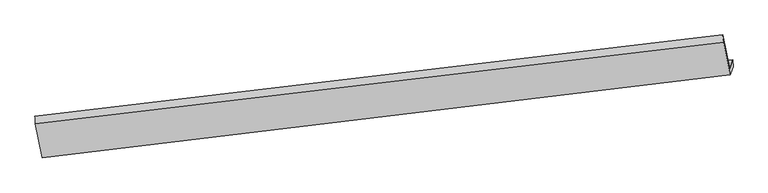
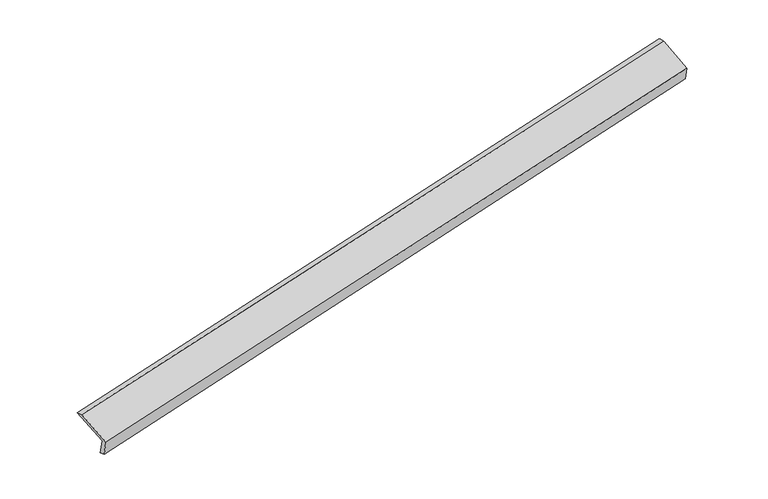
"""IFC4 building model written with IfcOpenShell, lengths in millimetres: proxy geometry."""

import ifcopenshell
import ifcopenshell.guid

model = None  # the IFC model being written
_history = None  # IfcOwnerHistory: only IFC2X3 demands one
_inside = {}  # id of a spatial element -> (the spatial element, [elements in it])
_under = {}  # id of a project, library or spatial element -> (it, [spatial elements below it])
_declared = {}  # id of a project -> (the project, [libraries it declares])
_typed = {}  # id of a type object -> (the type object, [elements of that type])
_made_of = {}  # id of a material, layer set ... -> (it, [elements and type objects made of it])


def new_model(schema):
    """Start an empty IFC model of exactly this schema.

    Asked for "IFC4X3", IfcOpenShell would pick the latest addendum, in which some entities
    have other attributes; the version numbers below select the first issue.
    IFC2X3 requires an IfcOwnerHistory on every rooted entity: one is made here for all.
    """
    global model, _history
    if schema == "IFC4X3":
        model = ifcopenshell.file(schema_version=(4, 3, 0, 0))
    else:
        model = ifcopenshell.file(schema=schema)
    _inside.clear()
    _under.clear()
    _declared.clear()
    _typed.clear()
    _made_of.clear()
    _history = None
    if model.schema == "IFC2X3":
        org = make("IfcOrganization", Name="unknown")
        user = make(
            "IfcPersonAndOrganization",
            ThePerson=make("IfcPerson", FamilyName="unknown"),
            TheOrganization=org,
        )
        app = make(
            "IfcApplication",
            ApplicationDeveloper=org,
            Version="unknown",
            ApplicationFullName="unknown",
            ApplicationIdentifier="unknown",
        )
        _history = make(
            "IfcOwnerHistory",
            OwningUser=user,
            OwningApplication=app,
            ChangeAction="ADDED",
            CreationDate=0,
        )
    return model


def make(cls, **values):
    """One entity of the class cls with the attributes given. An attribute that is None is left unset."""
    return model.create_entity(
        cls, **{name: value for name, value in values.items() if value is not None}
    )


def rooted(cls, **values):
    """An entity with a GlobalId (a new one), such as an element, a storey or a relation."""
    return make(cls, GlobalId=ifcopenshell.guid.new(), OwnerHistory=_history, **values)


def si_unit(unit_type, name, prefix=None):
    """IfcSIUnit, for example si_unit("LENGTHUNIT", "METRE", prefix="MILLI")."""
    return make("IfcSIUnit", UnitType=unit_type, Prefix=prefix, Name=name)


def assignment(units):
    """IfcUnitAssignment: the units of a project."""
    return None if units is None else make("IfcUnitAssignment", Units=units)


def point(xyz):
    """IfcCartesianPoint."""
    return None if xyz is None else make("IfcCartesianPoint", Coordinates=xyz)


def direction(xyz):
    """IfcDirection."""
    return None if xyz is None else make("IfcDirection", DirectionRatios=xyz)


def frame(location, z_axis=None, x_axis=None):
    """IfcAxis2Placement3D, a coordinate frame: its origin and axes. An axis left out is left unset."""
    return make(
        "IfcAxis2Placement3D",
        Location=point(location),
        Axis=direction(z_axis),
        RefDirection=direction(x_axis),
    )


def origin():
    """The frame at (0, 0, 0) with its axes left unset."""
    return frame((0.0, 0.0, 0.0))


def place(relative_to, where):
    """IfcLocalPlacement: puts the frame where relative to a parent placement (None: the world)."""
    return make(
        "IfcLocalPlacement", PlacementRelTo=relative_to, RelativePlacement=where
    )


def context(
    kind, dimensions, precision=None, world=None, true_north=None, identifier=None
):
    """IfcGeometricRepresentationContext, for example the 3D "Model" context."""
    return make(
        "IfcGeometricRepresentationContext",
        ContextIdentifier=identifier,
        ContextType=kind,
        CoordinateSpaceDimension=dimensions,
        Precision=precision,
        WorldCoordinateSystem=world,
        TrueNorth=true_north,
    )


def project(units=None, contexts=None):
    """IfcProject with its units and contexts."""
    return rooted(
        "IfcProject",
        Name="project",
        RepresentationContexts=contexts,
        UnitsInContext=assignment(units),
    )


def spatial(cls, under=None, at=None, **own):
    """A site, building, storey or space (cls), placed at a placement, below another one or the project."""
    s = rooted(cls, ObjectPlacement=at, **own)
    if under is not None:
        _under.setdefault(under.id(), (under, []))[1].append(s)
    return s


def shape(context_of_items, identifier, shape_type, items):
    """IfcShapeRepresentation: the items that make up one representation, for example the "Body"."""
    return make(
        "IfcShapeRepresentation",
        ContextOfItems=context_of_items,
        RepresentationIdentifier=identifier,
        RepresentationType=shape_type,
        Items=items,
    )


def source(mapping_origin, context_of_items, identifier, shape_type, items):
    """IfcRepresentationMap: a shape defined once, which mapped items show again and again."""
    return make(
        "IfcRepresentationMap",
        MappingOrigin=mapping_origin,
        MappedRepresentation=shape(context_of_items, identifier, shape_type, items),
    )


def transform(
    local_origin,
    x_axis=None,
    y_axis=None,
    z_axis=None,
    scale=None,
    scale2=None,
    scale3=None,
    uniform=True,
):
    """IfcCartesianTransformationOperator3D, or its non-uniform kind. x_axis, y_axis, z_axis: its Axis1, 2, 3."""
    if uniform:
        return make(
            "IfcCartesianTransformationOperator3D",
            Axis1=direction(x_axis),
            Axis2=direction(y_axis),
            LocalOrigin=point(local_origin),
            Scale=scale,
            Axis3=direction(z_axis),
        )
    return make(
        "IfcCartesianTransformationOperator3DnonUniform",
        Axis1=direction(x_axis),
        Axis2=direction(y_axis),
        LocalOrigin=point(local_origin),
        Scale=scale,
        Axis3=direction(z_axis),
        Scale2=scale2,
        Scale3=scale3,
    )


def mapped(mapping_source, mapping_target):
    """IfcMappedItem: shows the shape of a source again, moved by a transform."""
    return make(
        "IfcMappedItem", MappingSource=mapping_source, MappingTarget=mapping_target
    )


def made_of(thing, what):
    """Note that an element or type object is made of a material, layer set ...; save() writes the relation."""
    if what is not None:
        _made_of.setdefault(what.id(), (what, []))[1].append(thing)
    return thing


def element(
    cls,
    number,
    at=None,
    inside=None,
    cuts=None,
    type_object=None,
    material=None,
    context=None,
    identifier="Body",
    shape_type=None,
    held_by="IfcProductDefinitionShape",
    body=None,
    shapes=None,
    **own,
):
    """One element of the class cls, such as IfcWall. Its Tag is "e" and its number.

    at: its placement. inside: the storey or other place that contains it. cuts: it is an
    opening in that element (IfcRelVoidsElement). A single representation is given by context,
    identifier, shape_type and body (its items); several are given by shapes. held_by: the class
    of the entity that holds the representations. save() writes the other relations.
    """
    e = rooted(cls, Tag="e%d" % number, ObjectPlacement=at, **own)
    if body is not None:
        shapes = [shape(context, identifier, shape_type, body)]
    if shapes is not None:
        e.Representation = make(held_by, Representations=shapes)
    if inside is not None:
        _inside.setdefault(inside.id(), (inside, []))[1].append(e)
    if cuts is not None:
        rooted(
            "IfcRelVoidsElement", RelatingBuildingElement=cuts, RelatedOpeningElement=e
        )
    if type_object is not None:
        _typed.setdefault(type_object.id(), (type_object, []))[1].append(e)
    return made_of(e, material)


def aggregate(whole, parts):
    """IfcRelAggregates: a whole, such as a stair, and the parts it consists of."""
    return rooted("IfcRelAggregates", RelatingObject=whole, RelatedObjects=parts)


def save(model, path):
    """Write the relations noted so far, then the file.

    IfcRelAggregates (storeys below a building ...), IfcRelContainedInSpatialStructure (elements
    in a storey), IfcRelDefinesByType, IfcRelAssociatesMaterial and IfcRelDeclares: one each for
    every whole, place, type object, material and project.
    """
    for whole, parts in _under.values():
        aggregate(whole, parts)
    for where, things in _inside.values():
        rooted(
            "IfcRelContainedInSpatialStructure",
            RelatedElements=things,
            RelatingStructure=where,
        )
    for kind, things in _typed.values():
        rooted("IfcRelDefinesByType", RelatedObjects=things, RelatingType=kind)
    for what, things in _made_of.values():
        rooted("IfcRelAssociatesMaterial", RelatedObjects=things, RelatingMaterial=what)
    for by, libraries in _declared.values():
        rooted("IfcRelDeclares", RelatingContext=by, RelatedDefinitions=libraries)
    model.write(path)


def plane_surface(at):
    """IfcPlane: the flat surface through the origin of the frame at, square to its z axis."""
    return make("IfcPlane", Position=at)


def spline_surface(u_degree, v_degree, points, u_multiplicities, v_multiplicities, u_knots, v_knots, weights=None):
    """IfcBSplineSurfaceWithKnots; with weights, IfcRationalBSplineSurfaceWithKnots. points: one row for each step in u."""
    own = dict(
        UDegree=u_degree,
        VDegree=v_degree,
        ControlPointsList=[[point(p) for p in row] for row in points],
        SurfaceForm="UNSPECIFIED",
        UClosed=False,
        VClosed=False,
        SelfIntersect=False,
        UMultiplicities=u_multiplicities,
        VMultiplicities=v_multiplicities,
        UKnots=u_knots,
        VKnots=v_knots,
        KnotSpec="UNSPECIFIED",
    )
    if weights is None:
        return make("IfcBSplineSurfaceWithKnots", **own)
    return make("IfcRationalBSplineSurfaceWithKnots", WeightsData=weights, **own)


def advanced_brep(points, edges, surfaces, faces):
    """IfcAdvancedBrep: a solid bounded by faces that lie on surfaces and meet in shared edges.

    An edge is (start, end): straight between two places in points (the first is 0);
    or (start, end, curve); or (start, end, curve, False) where it runs against its curve.
    A face is (place in surfaces, loops), or (place, loops, False) where it looks against
    its surface's normal. A loop lists edges by number (the first is 1), with a minus sign
    where the edge is run from its end to its start. The first loop is the outer one.
    """
    corners = [point(p) for p in points]
    vertices = [make("IfcVertexPoint", VertexGeometry=c) for c in corners]
    made = []
    for start, end, *more in edges:
        made.append(
            make(
                "IfcEdgeCurve",
                EdgeStart=vertices[start],
                EdgeEnd=vertices[end],
                EdgeGeometry=more[0] if more else make("IfcPolyline", Points=[corners[start], corners[end]]),
                SameSense=more[1] if len(more) > 1 else True,
            )
        )
    hull = []
    for where, loops, *sense in faces:
        bounds = []
        for j, loop in enumerate(loops):
            ring = [make("IfcOrientedEdge", EdgeElement=made[abs(k) - 1], Orientation=k > 0) for k in loop]
            bounds.append(
                make(
                    "IfcFaceOuterBound" if j == 0 else "IfcFaceBound",
                    Bound=make("IfcEdgeLoop", EdgeList=ring),
                    Orientation=True,
                )
            )
        hull.append(make("IfcAdvancedFace", Bounds=bounds, FaceSurface=surfaces[where], SameSense=sense[0] if sense else True))
    return make("IfcAdvancedBrep", Outer=make("IfcClosedShell", CfsFaces=hull))


def generic_models_fa232254(model_context):
    return source(origin(), model_context, "Body", "AdvancedBrep", [
        advanced_brep(
        [(-9710.4143292, -2375.0438458, 65.8930517), (-9776.6366326, -2556.9802383, 477.2083952), (4096.376974, -894.3363685, 3418.5846754), (4160.414232, -718.4030781, 3020.8409324), (-9705.4252582, -2515.1739757, 118.3741619), (4165.403303, -858.5332081, 3073.3220426), (-9770.7966431, -2694.7725905, 524.4043402), (4105.8587055, -1022.1235503, 3443.1612862), (-9909.9608798, -2005.0376571, 807.0879579), (3972.200147, -359.676221, 3714.6612472), (-9918.8850328, -1851.9593713, 766.1568587), (3959.6342519, -216.6031055, 3696.3494823)],
        [
            (0, 1),
            (1, 2),
            (2, 3),
            (3, 0),
            (4, 0),
            (3, 5),
            (5, 4),
            (6, 4),
            (5, 7),
            (7, 6),
            (8, 6),
            (7, 9),
            (9, 8),
            (10, 8),
            (9, 11),
            (11, 10),
            (1, 10),
            (11, 2),
        ],
        [
            plane_surface(frame((-9743.5254809, -2466.012042, 271.5507234), z_axis=(-0.18779788520496554, 0.909086384164977, 0.3718788787204655), x_axis=(-0.14566968500713842, -0.4002068132665037, 0.904773369128972))),
            plane_surface(frame((-9707.9197937, -2445.1089107, 92.1336068), z_axis=(0.23436849244392466, -0.3336294755795339, -0.9131061180246727), x_axis=(-0.033323023014809466, 0.9359577254968803, -0.35053204164506985))),
            plane_surface(frame((-9738.1109507, -2604.9732831, 321.3892511), z_axis=(0.1877978852049793, -0.909086384164942, -0.3718788787205438), x_axis=(0.14566968500714594, 0.40020681326658547, -0.9047733691289346))),
            plane_surface(frame((-9840.3787615, -2349.9051238, 665.746149), z_axis=(-0.14226449544269273, -0.39981306257562554, 0.9054889995634046), x_axis=(0.18352260665670297, -0.9095868006920896, -0.3727885524699733))),
            spline_surface(1, 1, [[(-9918.8850328, -1851.9593713, 766.1568587), (3959.6342519, -216.6031055, 3696.3494823)], [(-9909.9608798, -2005.0376571, 807.0879579), (3972.200147, -359.676221, 3714.6612472)]], [2, 2], [2, 2], [0.0, 1.0], [0.0, 1.0]),
            plane_surface(frame((-9847.7608327, -2204.4698048, 621.6826269), z_axis=(0.14396730568017077, 0.4000105504582547, -0.9051325728407285), x_axis=(-0.18352260665669812, 0.9095868006921207, 0.3727885524698999))),
            plane_surface(frame((4076.6479356, -678.2792553, 3394.486611), z_axis=(0.972162432783662, 0.11174237612353849, 0.20594622031593046), x_axis=(0.18352260665670297, -0.9095868006920896, -0.3727885524699733))),
            plane_surface(frame((-9798.6864626, -2333.1612798, 459.8541276), z_axis=(-0.9721624327836624, -0.11174237612355745, -0.20594622031591736), x_axis=(0.1456696850071427, 0.40020681326650526, -0.9047733691289706))),
        ],
        [
            (0, [[1, 2, 3, 4]]),
            (1, [[5, -4, 6, 7]]),
            (2, [[8, -7, 9, 10]]),
            (3, [[11, -10, 12, 13]]),
            (4, [[14, -13, 15, 16]]),
            (5, [[17, -16, 18, -2]]),
            (6, [[-12, -9, -6, -3, -18, -15]]),
            (7, [[-1, -5, -8, -11, -14, -17]]),
        ],
    ),
    ])


if __name__ == "__main__":
    model = new_model("IFC4")
    model_context = context("Model", 3, world=origin())
    ifc_project = project(units=[si_unit("LENGTHUNIT", "METRE", prefix="MILLI")], contexts=[model_context])
    site = spatial("IfcSite", under=ifc_project)
    building = spatial("IfcBuilding", under=site)
    placement = place(None, origin())
    generic_models_shape = generic_models_fa232254(model_context)
    element("IfcBuildingElementProxy", 1, Name="Generic Models", at=placement, inside=building, context=model_context, shape_type="MappedRepresentation", body=[
        mapped(generic_models_shape, transform((0.0, 0.0, 0.0), x_axis=(1.0, 0.0, 0.0), y_axis=(0.0, 1.0, 0.0), z_axis=(0.0, 0.0, 1.0))),
    ])
    save(model, "model.ifc")
